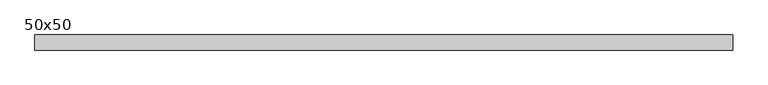
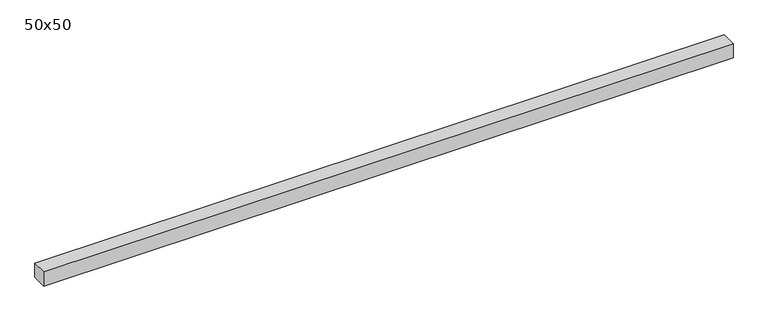
"""IFC4 building model written with IfcOpenShell, lengths in millimetres: beam geometry, 50x50."""

from ifc_helpers import new_model, si_unit, frame, origin, place, context, project, spatial, polyline, outline, extrude, source, transform, mapped, element, save


def beam_50x50_dbaa4198(model_context):
    return source(origin(), model_context, "Body", "SweptSolid", [
        extrude(outline(polyline([(1150.0, 25.0), (1150.0, -25.0), (-1150.0, -25.0), (-1150.0, 25.0), (1150.0, 25.0)])), frame((0.0, 0.0, -25.0), z_axis=(0.0, 0.0, 1.0), x_axis=(1.0, 0.0, 0.0)), (0.0, 0.0, 1.0), 50.0),
    ])


if __name__ == "__main__":
    model = new_model("IFC4")
    model_context = context("Model", 3, world=origin())
    ifc_project = project(units=[si_unit("LENGTHUNIT", "METRE", prefix="MILLI")], contexts=[model_context])
    site = spatial("IfcSite", under=ifc_project)
    building = spatial("IfcBuilding", under=site)
    placement = place(None, origin())
    beam_50x50_shape = beam_50x50_dbaa4198(model_context)
    element("IfcBeam", 1, ObjectType="50x50", at=placement, inside=building, context=model_context, shape_type="MappedRepresentation", body=[
        mapped(beam_50x50_shape, transform((0.0, 0.0, 0.0), x_axis=(1.0, 0.0, 0.0), y_axis=(0.0, 1.0, 0.0), z_axis=(0.0, 0.0, 1.0))),
    ])
    save(model, "model.ifc")
